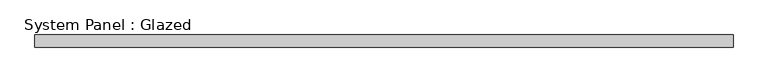
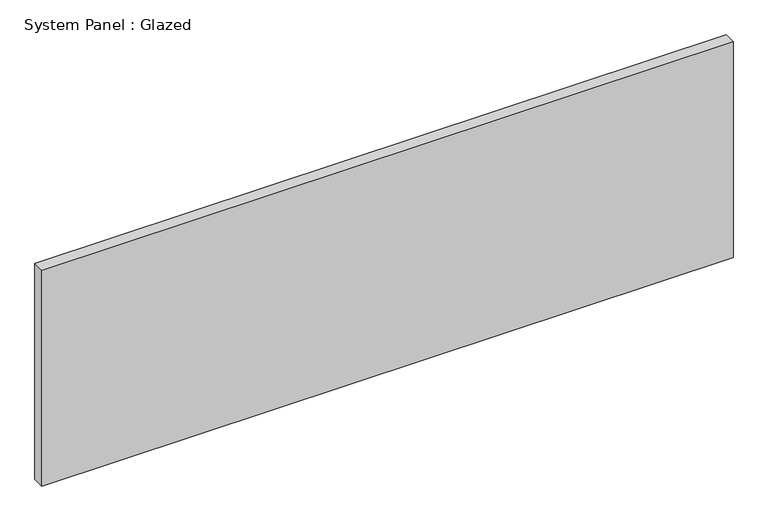
"""IFC4 building model written with IfcOpenShell, lengths in millimetres: plate geometry, System Panel : Glazed."""

import ifcopenshell
import ifcopenshell.guid

model = None  # the IFC model being written
_history = None  # IfcOwnerHistory: only IFC2X3 demands one
_inside = {}  # id of a spatial element -> (the spatial element, [elements in it])
_under = {}  # id of a project, library or spatial element -> (it, [spatial elements below it])
_declared = {}  # id of a project -> (the project, [libraries it declares])
_typed = {}  # id of a type object -> (the type object, [elements of that type])
_made_of = {}  # id of a material, layer set ... -> (it, [elements and type objects made of it])


def new_model(schema):
    """Start an empty IFC model of exactly this schema.

    Asked for "IFC4X3", IfcOpenShell would pick the latest addendum, in which some entities
    have other attributes; the version numbers below select the first issue.
    IFC2X3 requires an IfcOwnerHistory on every rooted entity: one is made here for all.
    """
    global model, _history
    if schema == "IFC4X3":
        model = ifcopenshell.file(schema_version=(4, 3, 0, 0))
    else:
        model = ifcopenshell.file(schema=schema)
    _inside.clear()
    _under.clear()
    _declared.clear()
    _typed.clear()
    _made_of.clear()
    _history = None
    if model.schema == "IFC2X3":
        org = make("IfcOrganization", Name="unknown")
        user = make(
            "IfcPersonAndOrganization",
            ThePerson=make("IfcPerson", FamilyName="unknown"),
            TheOrganization=org,
        )
        app = make(
            "IfcApplication",
            ApplicationDeveloper=org,
            Version="unknown",
            ApplicationFullName="unknown",
            ApplicationIdentifier="unknown",
        )
        _history = make(
            "IfcOwnerHistory",
            OwningUser=user,
            OwningApplication=app,
            ChangeAction="ADDED",
            CreationDate=0,
        )
    return model


def make(cls, **values):
    """One entity of the class cls with the attributes given. An attribute that is None is left unset."""
    return model.create_entity(
        cls, **{name: value for name, value in values.items() if value is not None}
    )


def rooted(cls, **values):
    """An entity with a GlobalId (a new one), such as an element, a storey or a relation."""
    return make(cls, GlobalId=ifcopenshell.guid.new(), OwnerHistory=_history, **values)


def si_unit(unit_type, name, prefix=None):
    """IfcSIUnit, for example si_unit("LENGTHUNIT", "METRE", prefix="MILLI")."""
    return make("IfcSIUnit", UnitType=unit_type, Prefix=prefix, Name=name)


def assignment(units):
    """IfcUnitAssignment: the units of a project."""
    return None if units is None else make("IfcUnitAssignment", Units=units)


def point(xyz):
    """IfcCartesianPoint."""
    return None if xyz is None else make("IfcCartesianPoint", Coordinates=xyz)


def direction(xyz):
    """IfcDirection."""
    return None if xyz is None else make("IfcDirection", DirectionRatios=xyz)


def frame(location, z_axis=None, x_axis=None):
    """IfcAxis2Placement3D, a coordinate frame: its origin and axes. An axis left out is left unset."""
    return make(
        "IfcAxis2Placement3D",
        Location=point(location),
        Axis=direction(z_axis),
        RefDirection=direction(x_axis),
    )


def origin():
    """The frame at (0, 0, 0) with its axes left unset."""
    return frame((0.0, 0.0, 0.0))


def origin_with_axes():
    """The frame at (0, 0, 0) with the z axis (0, 0, 1) and the x axis (1, 0, 0) written out."""
    return frame((0.0, 0.0, 0.0), z_axis=(0.0, 0.0, 1.0), x_axis=(1.0, 0.0, 0.0))


def place(relative_to, where):
    """IfcLocalPlacement: puts the frame where relative to a parent placement (None: the world)."""
    return make(
        "IfcLocalPlacement", PlacementRelTo=relative_to, RelativePlacement=where
    )


def context(
    kind, dimensions, precision=None, world=None, true_north=None, identifier=None
):
    """IfcGeometricRepresentationContext, for example the 3D "Model" context."""
    return make(
        "IfcGeometricRepresentationContext",
        ContextIdentifier=identifier,
        ContextType=kind,
        CoordinateSpaceDimension=dimensions,
        Precision=precision,
        WorldCoordinateSystem=world,
        TrueNorth=true_north,
    )


def project(units=None, contexts=None):
    """IfcProject with its units and contexts."""
    return rooted(
        "IfcProject",
        Name="project",
        RepresentationContexts=contexts,
        UnitsInContext=assignment(units),
    )


def spatial(cls, under=None, at=None, **own):
    """A site, building, storey or space (cls), placed at a placement, below another one or the project."""
    s = rooted(cls, ObjectPlacement=at, **own)
    if under is not None:
        _under.setdefault(under.id(), (under, []))[1].append(s)
    return s


def polyline(points):
    """IfcPolyline through the points."""
    return make("IfcPolyline", Points=[point(p) for p in points])


def outline(outer, holes=None, kind="AREA"):
    """IfcArbitraryClosedProfileDef: a profile drawn as a closed curve; with holes, ...WithVoids."""
    if holes is None:
        return make("IfcArbitraryClosedProfileDef", ProfileType=kind, OuterCurve=outer)
    return make(
        "IfcArbitraryProfileDefWithVoids",
        ProfileType=kind,
        OuterCurve=outer,
        InnerCurves=holes,
    )


def extrude(swept, where, along, depth):
    """IfcExtrudedAreaSolid: the profile swept, set in the frame where, extruded along a direction by depth."""
    return make(
        "IfcExtrudedAreaSolid",
        SweptArea=swept,
        Position=where,
        ExtrudedDirection=direction(along),
        Depth=depth,
    )


def shape(context_of_items, identifier, shape_type, items):
    """IfcShapeRepresentation: the items that make up one representation, for example the "Body"."""
    return make(
        "IfcShapeRepresentation",
        ContextOfItems=context_of_items,
        RepresentationIdentifier=identifier,
        RepresentationType=shape_type,
        Items=items,
    )


def source(mapping_origin, context_of_items, identifier, shape_type, items):
    """IfcRepresentationMap: a shape defined once, which mapped items show again and again."""
    return make(
        "IfcRepresentationMap",
        MappingOrigin=mapping_origin,
        MappedRepresentation=shape(context_of_items, identifier, shape_type, items),
    )


def transform(
    local_origin,
    x_axis=None,
    y_axis=None,
    z_axis=None,
    scale=None,
    scale2=None,
    scale3=None,
    uniform=True,
):
    """IfcCartesianTransformationOperator3D, or its non-uniform kind. x_axis, y_axis, z_axis: its Axis1, 2, 3."""
    if uniform:
        return make(
            "IfcCartesianTransformationOperator3D",
            Axis1=direction(x_axis),
            Axis2=direction(y_axis),
            LocalOrigin=point(local_origin),
            Scale=scale,
            Axis3=direction(z_axis),
        )
    return make(
        "IfcCartesianTransformationOperator3DnonUniform",
        Axis1=direction(x_axis),
        Axis2=direction(y_axis),
        LocalOrigin=point(local_origin),
        Scale=scale,
        Axis3=direction(z_axis),
        Scale2=scale2,
        Scale3=scale3,
    )


def mapped(mapping_source, mapping_target):
    """IfcMappedItem: shows the shape of a source again, moved by a transform."""
    return make(
        "IfcMappedItem", MappingSource=mapping_source, MappingTarget=mapping_target
    )


def made_of(thing, what):
    """Note that an element or type object is made of a material, layer set ...; save() writes the relation."""
    if what is not None:
        _made_of.setdefault(what.id(), (what, []))[1].append(thing)
    return thing


def element(
    cls,
    number,
    at=None,
    inside=None,
    cuts=None,
    type_object=None,
    material=None,
    context=None,
    identifier="Body",
    shape_type=None,
    held_by="IfcProductDefinitionShape",
    body=None,
    shapes=None,
    **own,
):
    """One element of the class cls, such as IfcWall. Its Tag is "e" and its number.

    at: its placement. inside: the storey or other place that contains it. cuts: it is an
    opening in that element (IfcRelVoidsElement). A single representation is given by context,
    identifier, shape_type and body (its items); several are given by shapes. held_by: the class
    of the entity that holds the representations. save() writes the other relations.
    """
    e = rooted(cls, Tag="e%d" % number, ObjectPlacement=at, **own)
    if body is not None:
        shapes = [shape(context, identifier, shape_type, body)]
    if shapes is not None:
        e.Representation = make(held_by, Representations=shapes)
    if inside is not None:
        _inside.setdefault(inside.id(), (inside, []))[1].append(e)
    if cuts is not None:
        rooted(
            "IfcRelVoidsElement", RelatingBuildingElement=cuts, RelatedOpeningElement=e
        )
    if type_object is not None:
        _typed.setdefault(type_object.id(), (type_object, []))[1].append(e)
    return made_of(e, material)


def aggregate(whole, parts):
    """IfcRelAggregates: a whole, such as a stair, and the parts it consists of."""
    return rooted("IfcRelAggregates", RelatingObject=whole, RelatedObjects=parts)


def save(model, path):
    """Write the relations noted so far, then the file.

    IfcRelAggregates (storeys below a building ...), IfcRelContainedInSpatialStructure (elements
    in a storey), IfcRelDefinesByType, IfcRelAssociatesMaterial and IfcRelDeclares: one each for
    every whole, place, type object, material and project.
    """
    for whole, parts in _under.values():
        aggregate(whole, parts)
    for where, things in _inside.values():
        rooted(
            "IfcRelContainedInSpatialStructure",
            RelatedElements=things,
            RelatingStructure=where,
        )
    for kind, things in _typed.values():
        rooted("IfcRelDefinesByType", RelatedObjects=things, RelatingType=kind)
    for what, things in _made_of.values():
        rooted("IfcRelAssociatesMaterial", RelatedObjects=things, RelatingMaterial=what)
    for by, libraries in _declared.values():
        rooted("IfcRelDeclares", RelatingContext=by, RelatedDefinitions=libraries)
    model.write(path)


def system_panel_glazed_6bd781a0(model_context):
    return source(origin(), model_context, "Body", "SweptSolid", [
        extrude(outline(polyline([(719.5001552, 24.5), (-719.5001552, 24.5), (-719.5001552, 49.5), (719.5001552, 49.5), (719.5001552, 24.5)])), origin_with_axes(), (0.0, 0.0, 1.0), 475.0),
    ])


if __name__ == "__main__":
    model = new_model("IFC4")
    model_context = context("Model", 3, world=origin())
    ifc_project = project(units=[si_unit("LENGTHUNIT", "METRE", prefix="MILLI")], contexts=[model_context])
    site = spatial("IfcSite", under=ifc_project)
    building = spatial("IfcBuilding", under=site)
    placement = place(None, origin())
    system_panel_glazed_shape = system_panel_glazed_6bd781a0(model_context)
    element("IfcPlate", 1, ObjectType="System Panel : Glazed", at=placement, inside=building, context=model_context, shape_type="MappedRepresentation", body=[
        mapped(system_panel_glazed_shape, transform((0.0, 0.0, 0.0), x_axis=(1.0, 0.0, 0.0), y_axis=(0.0, 1.0, 0.0), z_axis=(0.0, 0.0, 1.0))),
    ])
    save(model, "model.ifc")
